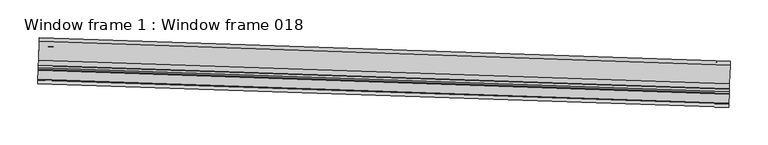
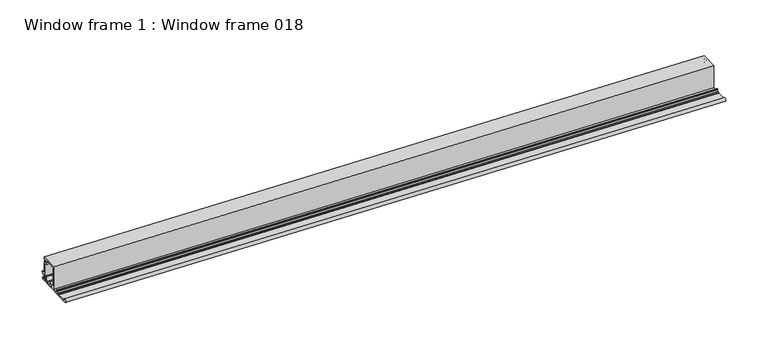
"""IFC4 building model written with IfcOpenShell, lengths in millimetres: proxy geometry, Window frame 1 : Window frame 018."""

from ifc_helpers import new_model, si_unit, point, frame, frame_2d, origin, place, context, project, spatial, polyline, circle_curve, trimmed, segment, composite_curve, outline, extrude, source, transform, mapped, element, save


def window_frame_1_window_frame_018_fbd60985(model_context):
    return source(origin(), model_context, "Body", "SweptSolid", [
        extrude(outline(composite_curve([segment(polyline([(0.0, 0.0), (2.2392151, 0.0), (3.6002863, -2.3574445), (-17.8468327, -14.7399445), (-34.2933327, 13.7462291), (-39.84059, 10.5435187)]), True, "CONTINUOUS"), segment(trimmed(circle_curve(frame_2d((-39.44689, 9.8616103)), 0.7874), [point((-39.84059, 10.5435187))], [point((-40.0536441, 9.3597654))], True, "CARTESIAN"), True, "CONTINUOUS"), segment(trimmed(circle_curve(frame_2d((-42.5002331, 7.3361976)), 3.175), [point((-40.0536441, 9.3597654))], [point((-40.9127332, 4.5865668))], False, "CARTESIAN"), True, "CONTINUOUS"), segment(polyline([(-40.9127332, 4.5865668), (-41.5477332, 5.6864191)]), True, "CONTINUOUS"), segment(trimmed(circle_curve(frame_2d((-42.5002331, 7.3361976)), 1.905), [point((-41.5477332, 5.6864191))], [point((-44.1500115, 6.3836975))], True, "CARTESIAN"), True, "CONTINUOUS"), segment(polyline([(-44.1500115, 6.3836975), (-45.2498638, 5.7486975), (-45.9737638, 7.0025291), (-56.3412662, 1.0168488)]), True, "CONTINUOUS"), segment(trimmed(circle_curve(frame_2d((-55.9475662, 0.3349404)), 0.7874), [point((-56.3412662, 1.0168488))], [point((-56.6794018, 0.0443972))], True, "CARTESIAN"), True, "CONTINUOUS"), segment(trimmed(circle_curve(frame_2d((-58.8749087, -0.8272325)), 2.3622), [point((-56.6794018, 0.0443972))], [point((-60.0560087, 1.2184927))], False, "CARTESIAN"), True, "CONTINUOUS"), segment(polyline([(-60.0560087, 1.2184927), (-31.2618764, 17.8427927), (-29.1028764, 14.1032951), (-25.9133049, 15.944795), (-27.6786049, 19.0023843)]), True, "CONTINUOUS"), segment(trimmed(circle_curve(frame_2d((-26.9966965, 19.3960843)), 0.7874), [point((-27.6786049, 19.0023843))], [point((-27.3903965, 20.0779927))], False, "CARTESIAN"), True, "CONTINUOUS"), segment(polyline([(-27.3903965, 20.0779927), (-18.6309, 25.1352904), (-16.8694829, 24.1183358)]), True, "CONTINUOUS"), segment(trimmed(circle_curve(frame_2d((-15.2527, 23.1848857)), 1.8669), [point((-16.8694829, 24.1183358))], [point((-15.2527, 25.0517858))], True, "CARTESIAN"), True, "CONTINUOUS"), segment(polyline([(-15.2527, 25.0517858), (-15.2527, 27.0856951), (-11.0245948, 29.5267927)]), True, "CONTINUOUS"), segment(trimmed(circle_curve(frame_2d((-10.6308948, 28.8448843)), 0.7874), [point((-11.0245948, 29.5267927))], [point((-9.9489864, 29.2385843))], False, "CARTESIAN"), True, "CONTINUOUS"), segment(polyline([(-9.9489864, 29.2385843), (-9.2377864, 28.0067498)]), True, "CONTINUOUS"), segment(trimmed(circle_curve(frame_2d((-9.7877125, 27.6892498)), 0.635), [point((-9.2377864, 28.0067498))], [point((-10.3376387, 27.3717498))], False, "CARTESIAN"), True, "CONTINUOUS"), segment(trimmed(circle_curve(frame_2d((-10.8875648, 27.0542498)), 0.635), [point((-10.3376387, 27.3717498))], [point((-11.2050648, 27.6041759))], True, "CARTESIAN"), True, "CONTINUOUS"), segment(polyline([(-11.2050648, 27.6041759), (-12.5248876, 26.8421759)]), True, "CONTINUOUS"), segment(trimmed(circle_curve(frame_2d((-12.2073876, 26.2922498)), 0.635), [point((-12.5248876, 26.8421759))], [point((-12.7573137, 25.9747498))], True, "CARTESIAN"), True, "CONTINUOUS"), segment(polyline([(-12.7573137, 25.9747498), (-9.7124887, 20.7009582)]), True, "CONTINUOUS"), segment(trimmed(circle_curve(frame_2d((-9.1625626, 21.0184582)), 0.635), [point((-9.7124887, 20.7009582))], [point((-8.8450626, 20.468532))], True, "CARTESIAN"), True, "CONTINUOUS"), segment(polyline([(-8.8450626, 20.468532), (-7.5252398, 21.230532)]), True, "CONTINUOUS"), segment(trimmed(circle_curve(frame_2d((-7.8427398, 21.7804582)), 0.635), [point((-7.5252398, 21.230532))], [point((-7.2928137, 22.0979582))], True, "CARTESIAN"), True, "CONTINUOUS"), segment(trimmed(circle_curve(frame_2d((-6.7428875, 22.4154582)), 0.635), [point((-7.2928137, 22.0979582))], [point((-6.1929614, 22.7329582))], False, "CARTESIAN"), True, "CONTINUOUS"), segment(polyline([(-6.1929614, 22.7329582), (-5.7960864, 22.0455505), (-5.114178, 22.4392505), (-4.098178, 20.6794869), (-8.2996137, 18.2537869), (0.1861575, 3.556), (-0.93345, 1.6167828)]), True, "CONTINUOUS"), segment(trimmed(circle_curve(frame_2d((-1.8669, 0.0)), 1.8669), [point((-0.93345, 1.6167828))], [point((0.0, 0.0))], True, "CARTESIAN"), True, "CONTINUOUS")], self_intersect=False), holes=[composite_curve([segment(trimmed(circle_curve(frame_2d((-19.5615991, 21.3423883)), 0.7874), [point((-18.8376106, 21.6519679))], [point((-19.9552991, 22.0242967))], True, "CARTESIAN"), True, "CONTINUOUS"), segment(polyline([(-19.9552991, 22.0242967), (-25.2965413, 18.9405291), (-23.1375413, 15.2010314), (-30.3745692, 11.0227314), (-17.1030692, -11.9641809), (-4.1834148, -4.5050149)]), True, "CONTINUOUS"), segment(trimmed(circle_curve(frame_2d((-4.5771148, -3.8231065)), 0.7874), [point((-4.1834148, -4.5050149))], [point((-4.1217399, -3.1807416))], True, "CARTESIAN"), True, "CONTINUOUS"), segment(trimmed(circle_curve(frame_2d((-1.8669, 0.0)), 3.8989), [point((-4.1217399, -3.1807416))], [point((-3.2613869, 3.6409927))], False, "CARTESIAN"), True, "CONTINUOUS"), segment(trimmed(circle_curve(frame_2d((-3.5430097, 4.3763071)), 0.7874), [point((-3.2613869, 3.6409927))], [point((-2.8611012, 4.7700072))], True, "CARTESIAN"), True, "CONTINUOUS"), segment(polyline([(-2.8611012, 4.7700072), (-11.6188533, 19.9388787)]), True, "CONTINUOUS"), segment(trimmed(circle_curve(frame_2d((-12.3007618, 19.5451786)), 0.7874), [point((-11.6188533, 19.9388787))], [point((-12.7967513, 20.1567284))], True, "CARTESIAN"), True, "CONTINUOUS"), segment(trimmed(circle_curve(frame_2d((-15.2527, 23.1848857)), 3.8989), [point((-12.7967513, 20.1567284))], [point((-18.8376106, 21.6519679))], False, "CARTESIAN"), True, "CONTINUOUS")], self_intersect=False)]), frame((34355.5228924, -15452.1044975, 2917.7834454), z_axis=(-0.9994149479165603, 0.03420178183866094, 0.0), x_axis=(0.02961961192735134, 0.8655187338175038, 0.5000000000002183)), (0.0, 0.0, 1.0), 914.4),
    ])


if __name__ == "__main__":
    model = new_model("IFC4")
    model_context = context("Model", 3, world=origin())
    ifc_project = project(units=[si_unit("LENGTHUNIT", "METRE", prefix="MILLI")], contexts=[model_context])
    site = spatial("IfcSite", under=ifc_project)
    building = spatial("IfcBuilding", under=site)
    placement = place(None, origin())
    window_frame_1_window_frame_018_shape = window_frame_1_window_frame_018_fbd60985(model_context)
    element("IfcBuildingElementProxy", 1, Name="Window frame 1 : Window frame 018", ObjectType="Window frame 1 : Window frame 018", at=placement, inside=building, context=model_context, shape_type="MappedRepresentation", body=[
        mapped(window_frame_1_window_frame_018_shape, transform((0.0, 0.0, 0.0), x_axis=(1.0, 0.0, 0.0), y_axis=(0.0, 1.0, 0.0), z_axis=(0.0, 0.0, 1.0))),
    ])
    save(model, "model.ifc")
